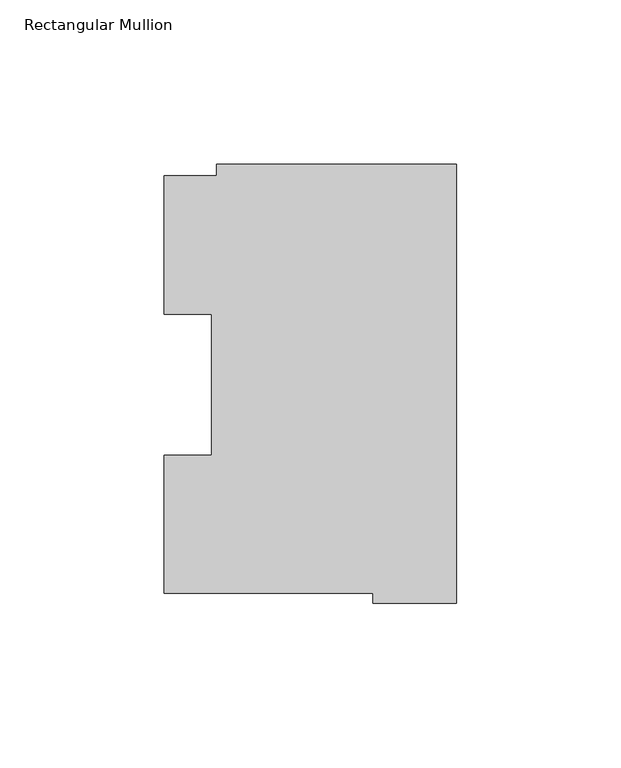
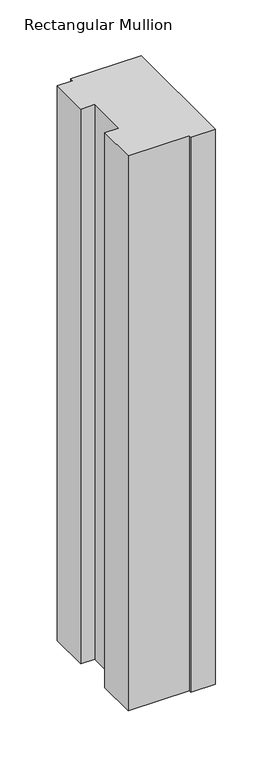
"""IFC4 building model written with IfcOpenShell, lengths in millimetres: member geometry, Rectangular Mullion."""

from ifc_helpers import new_model, si_unit, frame, origin, place, context, project, spatial, polyline, outline, extrude, source, transform, mapped, element, save


def rectangular_mullion_1bf1c6ed(model_context):
    return source(origin(), model_context, "Body", "SweptSolid", [
        extrude(outline(polyline([(-73.025, 130.1270275), (0.0, 130.1270275), (0.0, -3.2371943), (-25.3823253, -3.2371943), (-25.3823253, -0.2913097), (-88.8823253, -0.2913097), (-88.8823253, 41.7837928), (-74.4735473, 41.7837928), (-74.4735473, 84.6335937), (-88.8823253, 84.6335937), (-88.8823253, 126.7086938), (-73.025, 126.7086938), (-73.025, 130.1270275)])), frame((0.0, 0.0, -609.6), z_axis=(0.0, 0.0, 1.0), x_axis=(1.0, 0.0, 0.0)), (0.0, 0.0, 1.0), 609.6),
    ])


if __name__ == "__main__":
    model = new_model("IFC4")
    model_context = context("Model", 3, world=origin())
    ifc_project = project(units=[si_unit("LENGTHUNIT", "METRE", prefix="MILLI")], contexts=[model_context])
    site = spatial("IfcSite", under=ifc_project)
    building = spatial("IfcBuilding", under=site)
    placement = place(None, origin())
    rectangular_mullion_shape = rectangular_mullion_1bf1c6ed(model_context)
    element("IfcMember", 1, ObjectType="Rectangular Mullion", at=placement, inside=building, context=model_context, shape_type="MappedRepresentation", body=[
        mapped(rectangular_mullion_shape, transform((0.0, 0.0, 0.0), x_axis=(1.0, 0.0, 0.0), y_axis=(0.0, 1.0, 0.0), z_axis=(0.0, 0.0, 1.0))),
    ])
    save(model, "model.ifc")
